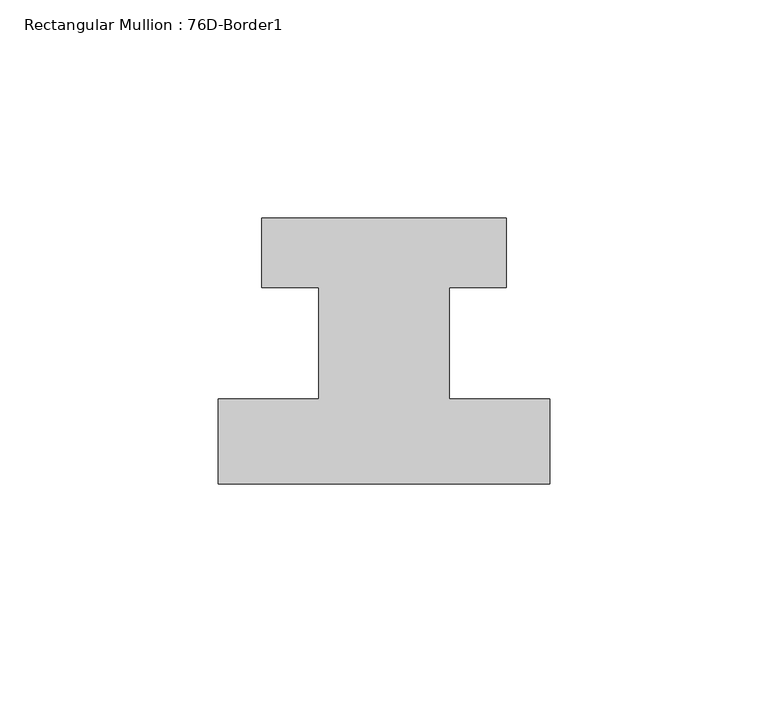
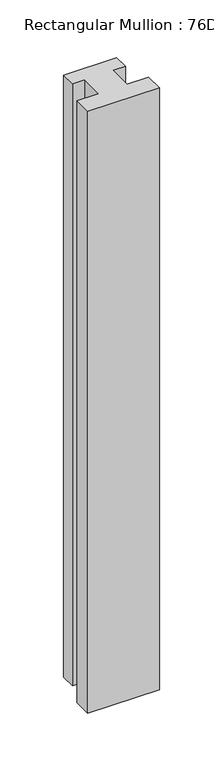
"""IFC4 building model written with IfcOpenShell, lengths in millimetres: member geometry, Rectangular Mullion : 76D-Border1."""

import ifcopenshell
import ifcopenshell.guid

model = None  # the IFC model being written
_history = None  # IfcOwnerHistory: only IFC2X3 demands one
_inside = {}  # id of a spatial element -> (the spatial element, [elements in it])
_under = {}  # id of a project, library or spatial element -> (it, [spatial elements below it])
_declared = {}  # id of a project -> (the project, [libraries it declares])
_typed = {}  # id of a type object -> (the type object, [elements of that type])
_made_of = {}  # id of a material, layer set ... -> (it, [elements and type objects made of it])


def new_model(schema):
    """Start an empty IFC model of exactly this schema.

    Asked for "IFC4X3", IfcOpenShell would pick the latest addendum, in which some entities
    have other attributes; the version numbers below select the first issue.
    IFC2X3 requires an IfcOwnerHistory on every rooted entity: one is made here for all.
    """
    global model, _history
    if schema == "IFC4X3":
        model = ifcopenshell.file(schema_version=(4, 3, 0, 0))
    else:
        model = ifcopenshell.file(schema=schema)
    _inside.clear()
    _under.clear()
    _declared.clear()
    _typed.clear()
    _made_of.clear()
    _history = None
    if model.schema == "IFC2X3":
        org = make("IfcOrganization", Name="unknown")
        user = make(
            "IfcPersonAndOrganization",
            ThePerson=make("IfcPerson", FamilyName="unknown"),
            TheOrganization=org,
        )
        app = make(
            "IfcApplication",
            ApplicationDeveloper=org,
            Version="unknown",
            ApplicationFullName="unknown",
            ApplicationIdentifier="unknown",
        )
        _history = make(
            "IfcOwnerHistory",
            OwningUser=user,
            OwningApplication=app,
            ChangeAction="ADDED",
            CreationDate=0,
        )
    return model


def make(cls, **values):
    """One entity of the class cls with the attributes given. An attribute that is None is left unset."""
    return model.create_entity(
        cls, **{name: value for name, value in values.items() if value is not None}
    )


def rooted(cls, **values):
    """An entity with a GlobalId (a new one), such as an element, a storey or a relation."""
    return make(cls, GlobalId=ifcopenshell.guid.new(), OwnerHistory=_history, **values)


def si_unit(unit_type, name, prefix=None):
    """IfcSIUnit, for example si_unit("LENGTHUNIT", "METRE", prefix="MILLI")."""
    return make("IfcSIUnit", UnitType=unit_type, Prefix=prefix, Name=name)


def assignment(units):
    """IfcUnitAssignment: the units of a project."""
    return None if units is None else make("IfcUnitAssignment", Units=units)


def point(xyz):
    """IfcCartesianPoint."""
    return None if xyz is None else make("IfcCartesianPoint", Coordinates=xyz)


def direction(xyz):
    """IfcDirection."""
    return None if xyz is None else make("IfcDirection", DirectionRatios=xyz)


def frame(location, z_axis=None, x_axis=None):
    """IfcAxis2Placement3D, a coordinate frame: its origin and axes. An axis left out is left unset."""
    return make(
        "IfcAxis2Placement3D",
        Location=point(location),
        Axis=direction(z_axis),
        RefDirection=direction(x_axis),
    )


def origin():
    """The frame at (0, 0, 0) with its axes left unset."""
    return frame((0.0, 0.0, 0.0))


def place(relative_to, where):
    """IfcLocalPlacement: puts the frame where relative to a parent placement (None: the world)."""
    return make(
        "IfcLocalPlacement", PlacementRelTo=relative_to, RelativePlacement=where
    )


def context(
    kind, dimensions, precision=None, world=None, true_north=None, identifier=None
):
    """IfcGeometricRepresentationContext, for example the 3D "Model" context."""
    return make(
        "IfcGeometricRepresentationContext",
        ContextIdentifier=identifier,
        ContextType=kind,
        CoordinateSpaceDimension=dimensions,
        Precision=precision,
        WorldCoordinateSystem=world,
        TrueNorth=true_north,
    )


def project(units=None, contexts=None):
    """IfcProject with its units and contexts."""
    return rooted(
        "IfcProject",
        Name="project",
        RepresentationContexts=contexts,
        UnitsInContext=assignment(units),
    )


def spatial(cls, under=None, at=None, **own):
    """A site, building, storey or space (cls), placed at a placement, below another one or the project."""
    s = rooted(cls, ObjectPlacement=at, **own)
    if under is not None:
        _under.setdefault(under.id(), (under, []))[1].append(s)
    return s


def polyline(points):
    """IfcPolyline through the points."""
    return make("IfcPolyline", Points=[point(p) for p in points])


def outline(outer, holes=None, kind="AREA"):
    """IfcArbitraryClosedProfileDef: a profile drawn as a closed curve; with holes, ...WithVoids."""
    if holes is None:
        return make("IfcArbitraryClosedProfileDef", ProfileType=kind, OuterCurve=outer)
    return make(
        "IfcArbitraryProfileDefWithVoids",
        ProfileType=kind,
        OuterCurve=outer,
        InnerCurves=holes,
    )


def extrude(swept, where, along, depth):
    """IfcExtrudedAreaSolid: the profile swept, set in the frame where, extruded along a direction by depth."""
    return make(
        "IfcExtrudedAreaSolid",
        SweptArea=swept,
        Position=where,
        ExtrudedDirection=direction(along),
        Depth=depth,
    )


def shape(context_of_items, identifier, shape_type, items):
    """IfcShapeRepresentation: the items that make up one representation, for example the "Body"."""
    return make(
        "IfcShapeRepresentation",
        ContextOfItems=context_of_items,
        RepresentationIdentifier=identifier,
        RepresentationType=shape_type,
        Items=items,
    )


def source(mapping_origin, context_of_items, identifier, shape_type, items):
    """IfcRepresentationMap: a shape defined once, which mapped items show again and again."""
    return make(
        "IfcRepresentationMap",
        MappingOrigin=mapping_origin,
        MappedRepresentation=shape(context_of_items, identifier, shape_type, items),
    )


def transform(
    local_origin,
    x_axis=None,
    y_axis=None,
    z_axis=None,
    scale=None,
    scale2=None,
    scale3=None,
    uniform=True,
):
    """IfcCartesianTransformationOperator3D, or its non-uniform kind. x_axis, y_axis, z_axis: its Axis1, 2, 3."""
    if uniform:
        return make(
            "IfcCartesianTransformationOperator3D",
            Axis1=direction(x_axis),
            Axis2=direction(y_axis),
            LocalOrigin=point(local_origin),
            Scale=scale,
            Axis3=direction(z_axis),
        )
    return make(
        "IfcCartesianTransformationOperator3DnonUniform",
        Axis1=direction(x_axis),
        Axis2=direction(y_axis),
        LocalOrigin=point(local_origin),
        Scale=scale,
        Axis3=direction(z_axis),
        Scale2=scale2,
        Scale3=scale3,
    )


def mapped(mapping_source, mapping_target):
    """IfcMappedItem: shows the shape of a source again, moved by a transform."""
    return make(
        "IfcMappedItem", MappingSource=mapping_source, MappingTarget=mapping_target
    )


def made_of(thing, what):
    """Note that an element or type object is made of a material, layer set ...; save() writes the relation."""
    if what is not None:
        _made_of.setdefault(what.id(), (what, []))[1].append(thing)
    return thing


def element(
    cls,
    number,
    at=None,
    inside=None,
    cuts=None,
    type_object=None,
    material=None,
    context=None,
    identifier="Body",
    shape_type=None,
    held_by="IfcProductDefinitionShape",
    body=None,
    shapes=None,
    **own,
):
    """One element of the class cls, such as IfcWall. Its Tag is "e" and its number.

    at: its placement. inside: the storey or other place that contains it. cuts: it is an
    opening in that element (IfcRelVoidsElement). A single representation is given by context,
    identifier, shape_type and body (its items); several are given by shapes. held_by: the class
    of the entity that holds the representations. save() writes the other relations.
    """
    e = rooted(cls, Tag="e%d" % number, ObjectPlacement=at, **own)
    if body is not None:
        shapes = [shape(context, identifier, shape_type, body)]
    if shapes is not None:
        e.Representation = make(held_by, Representations=shapes)
    if inside is not None:
        _inside.setdefault(inside.id(), (inside, []))[1].append(e)
    if cuts is not None:
        rooted(
            "IfcRelVoidsElement", RelatingBuildingElement=cuts, RelatedOpeningElement=e
        )
    if type_object is not None:
        _typed.setdefault(type_object.id(), (type_object, []))[1].append(e)
    return made_of(e, material)


def aggregate(whole, parts):
    """IfcRelAggregates: a whole, such as a stair, and the parts it consists of."""
    return rooted("IfcRelAggregates", RelatingObject=whole, RelatedObjects=parts)


def save(model, path):
    """Write the relations noted so far, then the file.

    IfcRelAggregates (storeys below a building ...), IfcRelContainedInSpatialStructure (elements
    in a storey), IfcRelDefinesByType, IfcRelAssociatesMaterial and IfcRelDeclares: one each for
    every whole, place, type object, material and project.
    """
    for whole, parts in _under.values():
        aggregate(whole, parts)
    for where, things in _inside.values():
        rooted(
            "IfcRelContainedInSpatialStructure",
            RelatedElements=things,
            RelatingStructure=where,
        )
    for kind, things in _typed.values():
        rooted("IfcRelDefinesByType", RelatedObjects=things, RelatingType=kind)
    for what, things in _made_of.values():
        rooted("IfcRelAssociatesMaterial", RelatedObjects=things, RelatingMaterial=what)
    for by, libraries in _declared.values():
        rooted("IfcRelDeclares", RelatingContext=by, RelatedDefinitions=libraries)
    model.write(path)


def rectangular_mullion_76d_border1_643436f0(model_context):
    return source(origin(), model_context, "Body", "SweptSolid", [
        extrude(outline(polyline([(-76.0, -20.0), (-76.0, -0.5), (-53.0, -0.5), (-53.0, 25.0), (-66.0, 25.0), (-66.0, 41.0), (-10.0, 41.0), (-10.0, 25.0), (-23.0, 25.0), (-23.0, -0.5), (0.0, -0.5), (0.0, -20.0), (-76.0, -20.0)])), frame((0.0, 0.0, -674.0), z_axis=(0.0, 0.0, 1.0), x_axis=(1.0, 0.0, 0.0)), (0.0, 0.0, 1.0), 674.0),
    ])


if __name__ == "__main__":
    model = new_model("IFC4")
    model_context = context("Model", 3, world=origin())
    ifc_project = project(units=[si_unit("LENGTHUNIT", "METRE", prefix="MILLI")], contexts=[model_context])
    site = spatial("IfcSite", under=ifc_project)
    building = spatial("IfcBuilding", under=site)
    placement = place(None, origin())
    rectangular_mullion_76d_border1_shape = rectangular_mullion_76d_border1_643436f0(model_context)
    element("IfcMember", 1, ObjectType="Rectangular Mullion : 76D-Border1", at=placement, inside=building, context=model_context, shape_type="MappedRepresentation", body=[
        mapped(rectangular_mullion_76d_border1_shape, transform((0.0, 0.0, 0.0), x_axis=(1.0, 0.0, 0.0), y_axis=(0.0, 1.0, 0.0), z_axis=(0.0, 0.0, 1.0))),
    ])
    save(model, "model.ifc")
